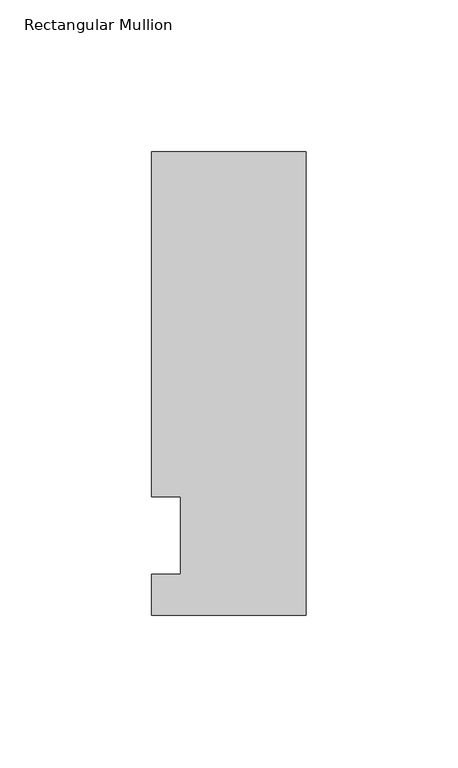
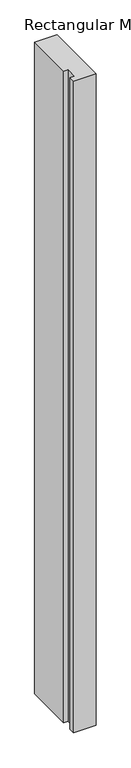
"""IFC4 building model written with IfcOpenShell, lengths in millimetres: member geometry, Rectangular Mullion."""

from ifc_helpers import new_model, si_unit, frame, origin, place, context, project, spatial, polyline, outline, extrude, source, transform, mapped, element, save


def rectangular_mullion_23992c1b(model_context):
    return source(origin(), model_context, "Body", "SweptSolid", [
        extrude(outline(polyline([(-50.8, -26.19375), (-50.8, -12.7), (-41.275, -12.7), (-41.275, 12.7), (-50.8, 12.7), (-50.8, 126.20625), (0.0, 126.20625), (0.0, -26.19375), (-50.8, -26.19375)])), frame((0.0, 0.0, -1555.75), z_axis=(0.0, 0.0, 1.0), x_axis=(1.0, 0.0, 0.0)), (0.0, 0.0, 1.0), 1555.75),
    ])


if __name__ == "__main__":
    model = new_model("IFC4")
    model_context = context("Model", 3, world=origin())
    ifc_project = project(units=[si_unit("LENGTHUNIT", "METRE", prefix="MILLI")], contexts=[model_context])
    site = spatial("IfcSite", under=ifc_project)
    building = spatial("IfcBuilding", under=site)
    placement = place(None, origin())
    rectangular_mullion_shape = rectangular_mullion_23992c1b(model_context)
    element("IfcMember", 1, ObjectType="Rectangular Mullion", at=placement, inside=building, context=model_context, shape_type="MappedRepresentation", body=[
        mapped(rectangular_mullion_shape, transform((0.0, 0.0, 0.0), x_axis=(1.0, 0.0, 0.0), y_axis=(0.0, 1.0, 0.0), z_axis=(0.0, 0.0, 1.0))),
    ])
    save(model, "model.ifc")
